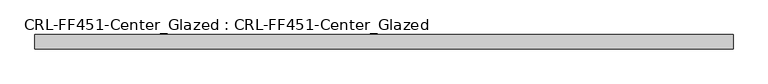
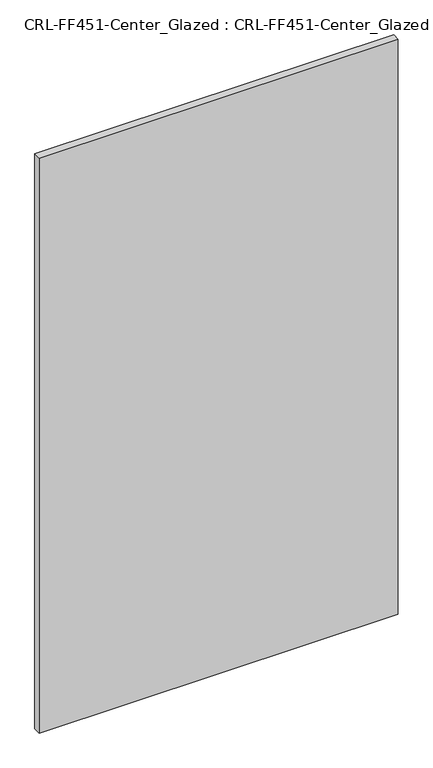
"""IFC4 building model written with IfcOpenShell, lengths in millimetres: plate geometry, CRL-FF451-Center_Glazed : CRL-FF451-Center_Glazed."""

from ifc_helpers import new_model, si_unit, origin, origin_with_axes, place, context, project, spatial, polyline, outline, extrude, source, transform, mapped, element, save


def crl_ff451_center_glazed_crl_ff451_center_glazed_d4bb27be(model_context):
    return source(origin(), model_context, "Body", "SweptSolid", [
        extrude(outline(polyline([(-624.9182788, -12.709956), (-624.9182788, 12.709956), (624.9182788, 12.709956), (624.9182788, -12.709956), (-624.9182788, -12.709956)])), origin_with_axes(), (0.0, 0.0, 1.0), 2115.3459841),
    ])


if __name__ == "__main__":
    model = new_model("IFC4")
    model_context = context("Model", 3, world=origin())
    ifc_project = project(units=[si_unit("LENGTHUNIT", "METRE", prefix="MILLI")], contexts=[model_context])
    site = spatial("IfcSite", under=ifc_project)
    building = spatial("IfcBuilding", under=site)
    placement = place(None, origin())
    crl_ff451_center_glazed_crl_ff451_center_glazed_shape = crl_ff451_center_glazed_crl_ff451_center_glazed_d4bb27be(model_context)
    element("IfcPlate", 1, ObjectType="CRL-FF451-Center_Glazed : CRL-FF451-Center_Glazed", at=placement, inside=building, context=model_context, shape_type="MappedRepresentation", body=[
        mapped(crl_ff451_center_glazed_crl_ff451_center_glazed_shape, transform((0.0, 0.0, 0.0), x_axis=(1.0, 0.0, 0.0), y_axis=(0.0, 1.0, 0.0), z_axis=(0.0, 0.0, 1.0))),
    ])
    save(model, "model.ifc")
